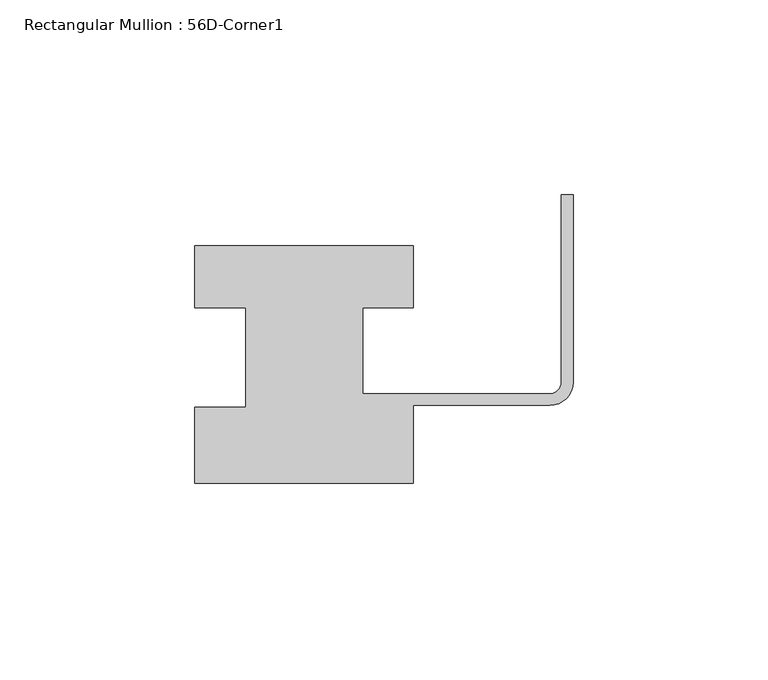
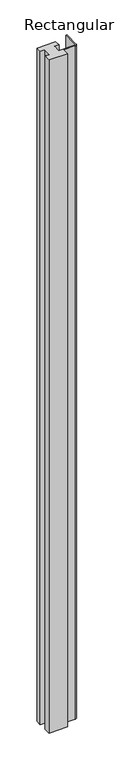
"""IFC4 building model written with IfcOpenShell, lengths in millimetres: member geometry, Rectangular Mullion : 56D-Corner1."""

from ifc_helpers import new_model, si_unit, point, frame, frame_2d, origin, place, context, project, spatial, polyline, circle_curve, trimmed, segment, composite_curve, outline, extrude, source, transform, mapped, element, save


def rectangular_mullion_56d_corner1_18ff174a(model_context):
    return source(origin(), model_context, "Body", "SweptSolid", [
        extrude(outline(composite_curve([segment(polyline([(-97.0, -20.0), (-97.0, -0.5), (-84.0, -0.5), (-84.0, 25.0), (-97.0, 25.0), (-97.0, 41.0), (-41.0, 41.0), (-41.0, 25.0), (-54.0, 25.0), (-54.0, 3.0), (-6.0, 3.0)]), True, "CONTINUOUS"), segment(trimmed(circle_curve(frame_2d((-6.0, 6.0)), 3.0), [point((-6.0, 3.0))], [point((-3.0, 6.0))], True, "CARTESIAN"), True, "CONTINUOUS"), segment(polyline([(-3.0, 6.0), (-3.0, 54.0), (0.0, 54.0), (0.0, 6.0)]), True, "CONTINUOUS"), segment(trimmed(circle_curve(frame_2d((-6.0, 6.0)), 6.0), [point((0.0, 6.0))], [point((-6.0, 0.0))], False, "CARTESIAN"), True, "CONTINUOUS"), segment(polyline([(-6.0, 0.0), (-41.0, 0.0), (-41.0, -20.0), (-97.0, -20.0)]), True, "CONTINUOUS")], self_intersect=False)), frame((0.0, 0.0, -2144.0), z_axis=(0.0, 0.0, 1.0), x_axis=(1.0, 0.0, 0.0)), (0.0, 0.0, 1.0), 2144.0),
    ])


if __name__ == "__main__":
    model = new_model("IFC4")
    model_context = context("Model", 3, world=origin())
    ifc_project = project(units=[si_unit("LENGTHUNIT", "METRE", prefix="MILLI")], contexts=[model_context])
    site = spatial("IfcSite", under=ifc_project)
    building = spatial("IfcBuilding", under=site)
    placement = place(None, origin())
    rectangular_mullion_56d_corner1_shape = rectangular_mullion_56d_corner1_18ff174a(model_context)
    element("IfcMember", 1, ObjectType="Rectangular Mullion : 56D-Corner1", at=placement, inside=building, context=model_context, shape_type="MappedRepresentation", body=[
        mapped(rectangular_mullion_56d_corner1_shape, transform((0.0, 0.0, 0.0), x_axis=(1.0, 0.0, 0.0), y_axis=(0.0, 1.0, 0.0), z_axis=(0.0, 0.0, 1.0))),
    ])
    save(model, "model.ifc")
